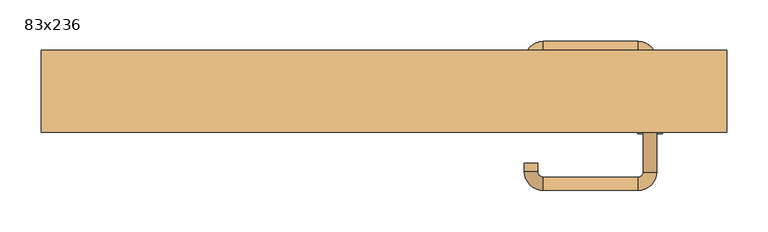
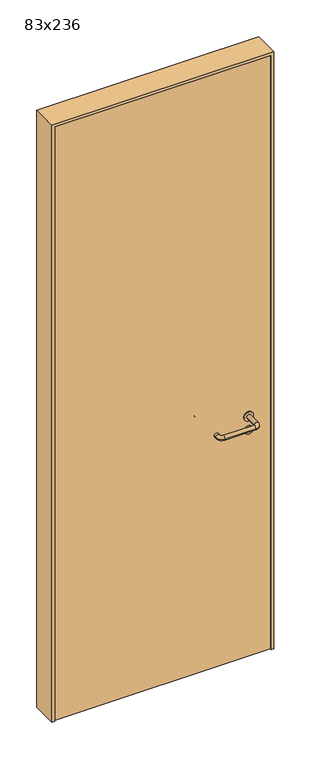
"""IFC4 building model written with IfcOpenShell, lengths in millimetres: door geometry, 83x236."""

from ifc_helpers import new_model, si_unit, point, frame, frame_2d, origin, origin_with_axes, place, context, project, spatial, polyline, circle_curve, ellipse_curve, trimmed, segment, composite_curve, outline, extrude, source, transform, mapped, element, save
from ifc_brep_helpers import plane_surface, cylinder_surface, revolved_surface, advanced_brep


def door_83x236_930b24af(model_context):
    return source(origin(), model_context, "Body", "SolidModel", [
        extrude(outline(composite_curve([segment(trimmed(circle_curve(frame_2d((897.3605726, 322.0)), 15.0), [point((897.3605726, 337.0))], [point((897.3605726, 307.0))], False, "CARTESIAN"), True, "CONTINUOUS"), segment(trimmed(circle_curve(frame_2d((897.3605726, 322.0)), 15.0), [point((897.3605726, 307.0))], [point((897.3605726, 337.0))], False, "CARTESIAN"), True, "CONTINUOUS")], self_intersect=False), holes=[composite_curve([segment(trimmed(circle_curve(frame_2d((892.5833211, 321.9398032)), 2.0), [point((892.5833211, 323.9398032))], [point((892.5833211, 319.9398032))], True, "CARTESIAN"), True, "CONTINUOUS"), segment(polyline([(892.5833211, 319.9398032), (902.5833211, 319.9398032)]), True, "CONTINUOUS"), segment(trimmed(circle_curve(frame_2d((902.5833211, 321.9398032)), 2.0), [point((902.5833211, 319.9398032))], [point((902.5833211, 323.9398032))], True, "CARTESIAN"), True, "CONTINUOUS"), segment(polyline([(902.5833211, 323.9398032), (892.5833211, 323.9398032)]), True, "CONTINUOUS")], self_intersect=False)]), frame((0.0, -15.0, 0.0), z_axis=(0.0, 1.0, 0.0), x_axis=(0.0, 0.0, 1.0)), (0.0, 0.0, 1.0), 6.35),
        extrude(outline(composite_curve([segment(trimmed(circle_curve(frame_2d((950.0, 322.0)), 17.526), [point((950.0, 339.526))], [point((950.0, 304.474))], False, "CARTESIAN"), True, "CONTINUOUS"), segment(trimmed(circle_curve(frame_2d((950.0, 322.0)), 17.526), [point((950.0, 304.474))], [point((950.0, 339.526))], False, "CARTESIAN"), True, "CONTINUOUS")], self_intersect=False)), frame((0.0, -15.0, 0.0), z_axis=(0.0, 1.0, 0.0), x_axis=(0.0, 0.0, 1.0)), (0.0, 0.0, 1.0), 3.175),
        advanced_brep(
        [(330.0, -15.0, 950.0), (314.0, -15.0, 950.0), (330.0, 38.0, 950.0), (314.0, 38.0, 950.0), (307.8578644, 44.1421356, 950.0), (307.8578644, 60.1421356, 950.0), (192.8578644, 60.1421356, 950.0), (192.8578644, 44.1421356, 950.0), (186.008622, 37.2928932, 950.0), (170.008622, 37.2928932, 950.0), (170.008622, 27.2928932, 950.0), (186.008622, 27.2928932, 950.0)],
        [
            (0, 1, circle_curve(frame((322.0, -15.0, 950.0), z_axis=(0.0, -1.0, 0.0), x_axis=(-1.0, 0.0, 0.0)), 8.0)),
            (1, 0, circle_curve(frame((322.0, -15.0, 950.0), z_axis=(0.0, -1.0, 0.0), x_axis=(-1.0, 0.0, 0.0)), 8.0)),
            (0, 2),
            (2, 3, circle_curve(frame((322.0, 38.0, 950.0), z_axis=(0.0, -1.0, 0.0), x_axis=(-1.0, 0.0, 0.0)), 8.0)),
            (3, 1),
            (3, 2, circle_curve(frame((322.0, 38.0, 950.0), z_axis=(0.0, -1.0, 0.0), x_axis=(-1.0, 0.0, 0.0)), 8.0)),
            (4, 3, circle_curve(frame((307.8578644, 38.0, 950.0), z_axis=(0.0, 0.0, -1.0), x_axis=(1.0, 0.0, 0.0)), 6.1421356)),
            (2, 5, circle_curve(frame((307.8578644, 38.0, 950.0), z_axis=(0.0, 0.0, 1.0), x_axis=(1.0, 0.0, 0.0)), 22.1421356)),
            (5, 4, circle_curve(frame((307.8578644, 52.1421356, 950.0), z_axis=(1.0, 0.0, 0.0), x_axis=(0.0, -1.0, 0.0)), 8.0)),
            (4, 5, circle_curve(frame((307.8578644, 52.1421356, 950.0), z_axis=(1.0, 0.0, 0.0), x_axis=(0.0, -1.0, 0.0)), 8.0)),
            (5, 6),
            (6, 7, circle_curve(frame((192.8578644, 52.1421356, 950.0), z_axis=(1.0, 0.0, 0.0), x_axis=(0.0, -1.0, 0.0)), 8.0)),
            (7, 4),
            (7, 6, circle_curve(frame((192.8578644, 52.1421356, 950.0), z_axis=(1.0, 0.0, 0.0), x_axis=(0.0, -1.0, 0.0)), 8.0)),
            (8, 7, circle_curve(frame((192.8578644, 37.2928932, 950.0), z_axis=(0.0, 0.0, -1.0), x_axis=(0.0, 1.0, 0.0)), 6.8492424)),
            (6, 9, circle_curve(frame((192.8578644, 37.2928932, 950.0), z_axis=(0.0, 0.0, 1.0), x_axis=(0.0, 1.0, 0.0)), 22.8492424)),
            (9, 8, circle_curve(frame((178.008622, 37.2928932, 950.0), z_axis=(0.0, 1.0, 0.0), x_axis=(1.0, 0.0, 0.0)), 8.0)),
            (8, 9, circle_curve(frame((178.008622, 37.2928932, 950.0), z_axis=(0.0, 1.0, 0.0), x_axis=(1.0, 0.0, 0.0)), 8.0)),
            (10, 11, circle_curve(frame((178.008622, 27.2928932, 950.0), z_axis=(0.0, -1.0, 0.0), x_axis=(1.0, 0.0, 0.0)), 8.0)),
            (11, 10, circle_curve(frame((178.008622, 27.2928932, 950.0), z_axis=(0.0, -1.0, 0.0), x_axis=(1.0, 0.0, 0.0)), 8.0)),
            (9, 10),
            (11, 8),
        ],
        [
            plane_surface(frame((322.0, -15.0, 0.0), z_axis=(0.0, -1.0, 0.0), x_axis=(0.0, 0.0, 1.0))),
            cylinder_surface(frame((322.0, -15.0, 950.0), z_axis=(0.0, -1.0, 0.0), x_axis=(-1.0, 0.0, 0.0)), 8.0),
            revolved_surface(trimmed(ellipse_curve(frame((322.0, 38.0, 950.0), z_axis=(0.0, -1.0, 0.0), x_axis=(-1.0, 0.0, 0.0)), 8.0, 8.0), [point((330.0, 38.0, 950.0))], [point((314.0, 38.0, 950.0))], True, "CARTESIAN"), (307.8578644, 38.0, 0.0), (0.0, 0.0, 1.0)),
            revolved_surface(trimmed(ellipse_curve(frame((322.0, 38.0, 950.0), z_axis=(0.0, -1.0, 0.0), x_axis=(-1.0, 0.0, 0.0)), 8.0, 8.0), [point((314.0, 38.0, 950.0))], [point((330.0, 38.0, 950.0))], True, "CARTESIAN"), (307.8578644, 38.0, 0.0), (0.0, 0.0, 1.0)),
            cylinder_surface(frame((307.8578644, 52.1421356, 950.0), z_axis=(1.0, 0.0, 0.0), x_axis=(0.0, -1.0, 0.0)), 8.0),
            revolved_surface(trimmed(ellipse_curve(frame((192.8578644, 52.1421356, 950.0), z_axis=(1.0, 0.0, 0.0), x_axis=(0.0, -1.0, 0.0)), 8.0, 8.0), [point((192.8578644, 60.1421356, 950.0))], [point((192.8578644, 44.1421356, 950.0))], True, "CARTESIAN"), (192.8578644, 37.2928932, 0.0), (0.0, 0.0, 1.0)),
            revolved_surface(trimmed(ellipse_curve(frame((192.8578644, 52.1421356, 950.0), z_axis=(1.0, 0.0, 0.0), x_axis=(0.0, -1.0, 0.0)), 8.0, 8.0), [point((192.8578644, 44.1421356, 950.0))], [point((192.8578644, 60.1421356, 950.0))], True, "CARTESIAN"), (192.8578644, 37.2928932, 0.0), (0.0, 0.0, 1.0)),
            plane_surface(frame((178.008622, 27.2928932, 0.0), z_axis=(0.0, -1.0, 0.0), x_axis=(0.0, 0.0, 1.0))),
            cylinder_surface(frame((178.008622, 37.2928932, 950.0), z_axis=(0.0, 1.0, 0.0), x_axis=(1.0, 0.0, 0.0)), 8.0),
        ],
        [
            (0, [[1, 2]]),
            (1, [[-1, 3, 4, 5]]),
            (1, [[-2, -5, 6, -3]]),
            (2, [[7, -4, 8, 9]]),
            (3, [[-8, -6, -7, 10]]),
            (4, [[-9, 11, 12, 13]]),
            (4, [[-10, -13, 14, -11]]),
            (5, [[15, -12, 16, 17]]),
            (6, [[-16, -14, -15, 18]]),
            (7, [[19, 20]]),
            (8, [[-17, 21, -20, 22]]),
            (8, [[-18, -22, -19, -21]]),
        ],
    ),
        extrude(outline(composite_curve([segment(trimmed(circle_curve(frame_2d((0.0, 15.0)), 15.0), [point((0.0, 30.0))], [point((0.0, 0.0))], False, "CARTESIAN"), True, "CONTINUOUS"), segment(trimmed(circle_curve(frame_2d((0.0, 15.0)), 15.0), [point((0.0, 0.0))], [point((0.0, 30.0))], False, "CARTESIAN"), True, "CONTINUOUS")], self_intersect=False), holes=[composite_curve([segment(trimmed(circle_curve(frame_2d((-4.7772515, 14.9398032)), 2.0), [point((-4.7772515, 16.9398032))], [point((-4.7772515, 12.9398032))], True, "CARTESIAN"), True, "CONTINUOUS"), segment(polyline([(-4.7772515, 12.9398032), (5.2227485, 12.9398032)]), True, "CONTINUOUS"), segment(trimmed(circle_curve(frame_2d((5.2227485, 14.9398032)), 2.0), [point((5.2227485, 12.9398032))], [point((5.2227485, 16.9398032))], True, "CARTESIAN"), True, "CONTINUOUS"), segment(polyline([(5.2227485, 16.9398032), (-4.7772515, 16.9398032)]), True, "CONTINUOUS")], self_intersect=False)]), frame((307.0, -51.35, 897.3605726), z_axis=(-1.8870575173328306e-12, 1.0, 0.0), x_axis=(0.0, 0.0, 1.0)), (0.0, 0.0, 1.0), 6.35),
        extrude(outline(composite_curve([segment(trimmed(circle_curve(frame_2d((0.0, 17.526)), 17.526), [point((0.0, 35.052))], [point((0.0, 0.0))], False, "CARTESIAN"), True, "CONTINUOUS"), segment(trimmed(circle_curve(frame_2d((0.0, 17.526)), 17.526), [point((0.0, 0.0))], [point((0.0, 35.052))], False, "CARTESIAN"), True, "CONTINUOUS")], self_intersect=False)), frame((304.474, -48.175, 950.0), z_axis=(-1.8870575173328306e-12, 1.0, 0.0), x_axis=(0.0, 0.0, 1.0)), (0.0, 0.0, 1.0), 3.175),
        advanced_brep(
        [(330.0, -45.0, 950.0), (314.0, -45.0, 950.0), (314.0, -98.0, 950.0), (330.0, -98.0, 950.0), (307.8578644, -104.1421356, 950.0), (307.8578644, -120.1421356, 950.0), (192.8578644, -104.1421356, 950.0), (192.8578644, -120.1421356, 950.0), (186.008622, -97.2928932, 950.0), (170.008622, -97.2928932, 950.0), (170.008622, -87.2928932, 950.0), (186.008622, -87.2928932, 950.0)],
        [
            (0, 1, circle_curve(frame((322.0, -45.0, 950.0), z_axis=(-1.888672253512351e-12, 1.0, 0.0), x_axis=(-1.0, -1.888672253512351e-12, 0.0)), 8.0)),
            (1, 0, circle_curve(frame((322.0, -45.0, 950.0), z_axis=(-1.888672253512351e-12, 1.0, 0.0), x_axis=(-1.0, -1.888672253512351e-12, 0.0)), 8.0)),
            (1, 2),
            (2, 3, circle_curve(frame((322.0, -98.0, 950.0), z_axis=(-1.888672253512351e-12, 1.0, 0.0), x_axis=(-1.0, -1.888672253512351e-12, 0.0)), 8.0)),
            (3, 0),
            (3, 2, circle_curve(frame((322.0, -98.0, 950.0), z_axis=(-1.888672253512351e-12, 1.0, 0.0), x_axis=(-1.0, -1.888672253512351e-12, 0.0)), 8.0)),
            (4, 5, circle_curve(frame((307.8578644, -112.1421356, 950.0), z_axis=(1.0, 1.913702061528922e-12, 0.0), x_axis=(-1.913702061528922e-12, 1.0, 0.0)), 8.0)),
            (5, 3, circle_curve(frame((307.8578644, -98.0, 950.0), z_axis=(0.0, 0.0, 1.0), x_axis=(1.0, 1.880717803715015e-12, 0.0)), 22.1421356)),
            (2, 4, circle_curve(frame((307.8578644, -98.0, 950.0), z_axis=(0.0, 0.0, -1.0), x_axis=(1.0, 1.880717803715015e-12, 0.0)), 6.1421356)),
            (5, 4, circle_curve(frame((307.8578644, -112.1421356, 950.0), z_axis=(1.0, 1.913702061528922e-12, 0.0), x_axis=(-1.913702061528922e-12, 1.0, 0.0)), 8.0)),
            (4, 6),
            (6, 7, circle_curve(frame((192.8578644, -112.1421356, 950.0), z_axis=(1.0, 1.913719828541269e-12, 0.0), x_axis=(-1.913719828541269e-12, 1.0, 0.0)), 8.0)),
            (7, 5),
            (7, 6, circle_curve(frame((192.8578644, -112.1421356, 950.0), z_axis=(1.0, 1.913719828541269e-12, 0.0), x_axis=(-1.913719828541269e-12, 1.0, 0.0)), 8.0)),
            (8, 9, circle_curve(frame((178.008622, -97.2928932, 950.0), z_axis=(1.8888942981172756e-12, -1.0, 0.0), x_axis=(1.0, 1.8888942981172756e-12, 0.0)), 8.0)),
            (9, 7, circle_curve(frame((192.8578644, -97.2928932, 950.0), z_axis=(0.0, 0.0, 1.0), x_axis=(1.9120873253494017e-12, -1.0, 0.0)), 22.8492424)),
            (6, 8, circle_curve(frame((192.8578644, -97.2928932, 950.0), z_axis=(0.0, 0.0, -1.0), x_axis=(1.9120873253494017e-12, -1.0, 0.0)), 6.8492424)),
            (9, 8, circle_curve(frame((178.008622, -97.2928932, 950.0), z_axis=(1.890448610351751e-12, -1.0, 0.0), x_axis=(1.0, 1.890448610351751e-12, 0.0)), 8.0)),
            (10, 11, circle_curve(frame((178.008622, -87.2928932, 950.0), z_axis=(-1.8903642334018795e-12, 1.0, 0.0), x_axis=(1.0, 1.8903642334018795e-12, 0.0)), 8.0)),
            (11, 10, circle_curve(frame((178.008622, -87.2928932, 950.0), z_axis=(-1.8903642334018795e-12, 1.0, 0.0), x_axis=(1.0, 1.8903642334018795e-12, 0.0)), 8.0)),
            (8, 11),
            (10, 9),
        ],
        [
            plane_surface(frame((322.0, -45.0, 0.0), z_axis=(-1.8870575173328306e-12, 1.0, 0.0), x_axis=(0.0, 0.0, 1.0))),
            cylinder_surface(frame((322.0, -45.0, 950.0), z_axis=(-1.888672253512351e-12, 1.0, 0.0), x_axis=(-1.0, -1.888672253512351e-12, 0.0)), 8.0),
            revolved_surface(trimmed(ellipse_curve(frame((322.0, -98.0, 950.0), z_axis=(1.8823325398945356e-12, -1.0, 0.0), x_axis=(-1.0, -1.8823325398945356e-12, 0.0)), 8.0, 8.0), [point((330.0, -98.0, 950.0))], [point((314.0, -98.0, 950.0))], True, "CARTESIAN"), (307.8578644, -98.0, 0.0), (0.0, 0.0, 1.0)),
            revolved_surface(trimmed(ellipse_curve(frame((322.0, -98.0, 950.0), z_axis=(1.8823325398945356e-12, -1.0, 0.0), x_axis=(-1.0, -1.8823325398945356e-12, 0.0)), 8.0, 8.0), [point((314.0, -98.0, 950.0))], [point((330.0, -98.0, 950.0))], True, "CARTESIAN"), (307.8578644, -98.0, 0.0), (0.0, 0.0, 1.0)),
            cylinder_surface(frame((307.8578644, -112.1421356, 950.0), z_axis=(1.0, 1.913719828541269e-12, 0.0), x_axis=(-1.913719828541269e-12, 1.0, 0.0)), 8.0),
            revolved_surface(trimmed(ellipse_curve(frame((192.8578644, -112.1421356, 950.0), z_axis=(-1.0, -1.913702061528922e-12, 0.0), x_axis=(-1.913702061528922e-12, 1.0, 0.0)), 8.0, 8.0), [point((192.8578644, -120.1421356, 950.0))], [point((192.8578644, -104.1421356, 950.0))], True, "CARTESIAN"), (192.8578644, -97.2928932, 0.0), (0.0, 0.0, 1.0)),
            revolved_surface(trimmed(ellipse_curve(frame((192.8578644, -112.1421356, 950.0), z_axis=(-1.0, -1.913702061528922e-12, 0.0), x_axis=(-1.913702061528922e-12, 1.0, 0.0)), 8.0, 8.0), [point((192.8578644, -104.1421356, 950.0))], [point((192.8578644, -120.1421356, 950.0))], True, "CARTESIAN"), (192.8578644, -97.2928932, 0.0), (0.0, 0.0, 1.0)),
            plane_surface(frame((178.008622, -87.2928932, 0.0), z_axis=(-1.8887494972223595e-12, 1.0, 0.0), x_axis=(0.0, 0.0, 1.0))),
            cylinder_surface(frame((178.008622, -97.2928932, 950.0), z_axis=(1.8903642334018795e-12, -1.0, 0.0), x_axis=(1.0, 1.8903642334018795e-12, 0.0)), 8.0),
        ],
        [
            (0, [[1, 2]]),
            (1, [[3, 4, 5, -2]]),
            (1, [[-5, 6, -3, -1]]),
            (2, [[7, 8, -4, 9]]),
            (3, [[10, -9, -6, -8]]),
            (4, [[11, 12, 13, -7]]),
            (4, [[-13, 14, -11, -10]]),
            (5, [[15, 16, -12, 17]]),
            (6, [[18, -17, -14, -16]]),
            (7, [[19, 20]]),
            (8, [[21, -19, 22, -15]]),
            (8, [[-22, -20, -21, -18]]),
        ],
    ),
        extrude(outline(polyline([(2350.0, 405.0), (0.0, 405.0), (0.0, 415.0), (2360.0, 415.0), (2360.0, -415.0), (0.0, -415.0), (0.0, -405.0), (2350.0, -405.0), (2350.0, 405.0)])), frame((0.0, -50.0, 0.0), z_axis=(0.0, 1.0, 0.0), x_axis=(0.0, 0.0, 1.0)), (0.0, 0.0, 1.0), 99.0),
        extrude(outline(polyline([(-405.0, -45.0), (-405.0, -15.0), (405.0, -15.0), (405.0, -45.0), (-405.0, -45.0)])), origin_with_axes(), (0.0, 0.0, 1.0), 2350.0),
    ])


if __name__ == "__main__":
    model = new_model("IFC4")
    model_context = context("Model", 3, world=origin())
    ifc_project = project(units=[si_unit("LENGTHUNIT", "METRE", prefix="MILLI")], contexts=[model_context])
    site = spatial("IfcSite", under=ifc_project)
    building = spatial("IfcBuilding", under=site)
    placement = place(None, origin())
    door_83x236_shape = door_83x236_930b24af(model_context)
    element("IfcDoor", 1, ObjectType="83x236", at=placement, inside=building, context=model_context, shape_type="MappedRepresentation", body=[
        mapped(door_83x236_shape, transform((0.0, 0.0, 0.0), x_axis=(1.0, 0.0, 0.0), y_axis=(0.0, 1.0, 0.0), z_axis=(0.0, 0.0, 1.0))),
    ])
    save(model, "model.ifc")
